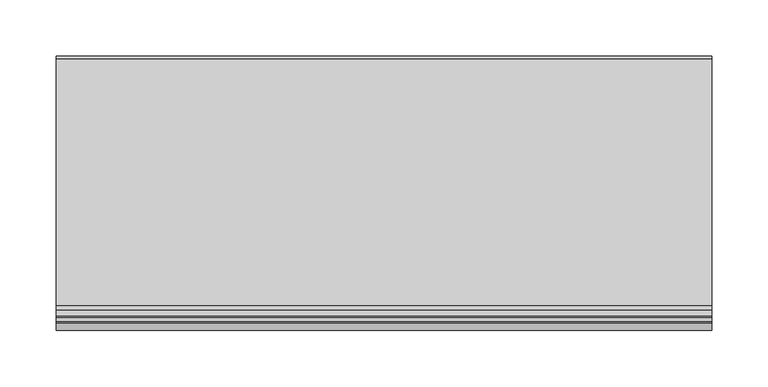
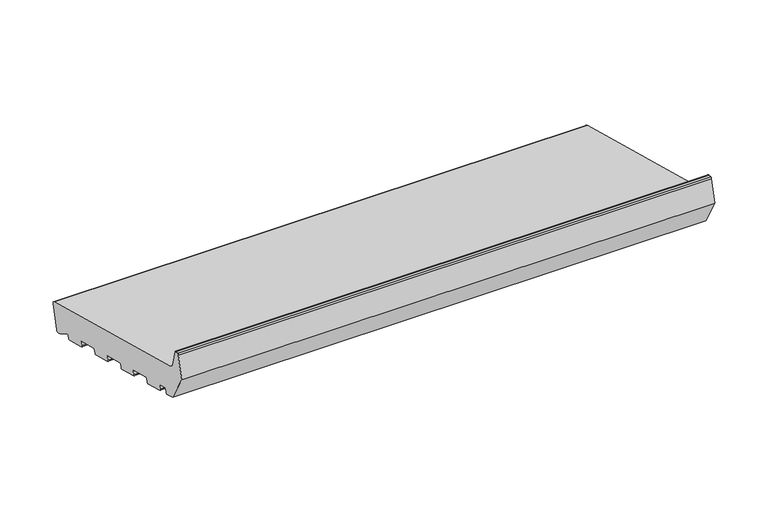
"""IFC4 building model written with IfcOpenShell, lengths in millimetres: proxy geometry."""

from ifc_helpers import new_model, si_unit, point, frame, frame_2d, origin, place, context, project, spatial, polyline, circle_curve, trimmed, segment, composite_curve, outline, extrude, source, transform, mapped, element, save


def generic_models_a7e56058(model_context):
    return source(origin(), model_context, "Body", "SweptSolid", [
        extrude(outline(composite_curve([segment(polyline([(24.372022, 5.5048126), (21.6552444, 6.2327709), (7.4870147, 14.8202172)]), True, "CONTINUOUS"), segment(trimmed(circle_curve(frame_2d((6.9686847, 13.9650365)), 1.0), [point((7.4870147, 14.8202172))], [point((6.0027589, 14.2238555))], True, "CARTESIAN"), True, "CONTINUOUS"), segment(polyline([(6.0027589, 14.2238555), (5.0535055, 10.6811935)]), True, "CONTINUOUS"), segment(trimmed(circle_curve(frame_2d((4.0875797, 10.9400125)), 1.0), [point((5.0535055, 10.6811935))], [point((3.8287606, 9.9740867))], False, "CARTESIAN"), True, "CONTINUOUS"), segment(polyline([(3.8287606, 9.9740867), (-18.3875334, 15.9269247)]), True, "CONTINUOUS"), segment(trimmed(circle_curve(frame_2d((-18.1287143, 16.8928505)), 1.0), [point((-18.3875334, 15.9269247))], [point((-19.0946402, 17.1516696))], False, "CARTESIAN"), True, "CONTINUOUS"), segment(polyline([(-19.0946402, 17.1516696), (-18.059364, 21.0153729)]), True, "CONTINUOUS"), segment(trimmed(circle_curve(frame_2d((-19.0252898, 21.2741919)), 1.0), [point((-18.059364, 21.0153729))], [point((-18.7664708, 22.2401178))], True, "CARTESIAN"), True, "CONTINUOUS"), segment(polyline([(-18.7664708, 22.2401178), (-41.9486906, 28.4517749)]), True, "CONTINUOUS"), segment(trimmed(circle_curve(frame_2d((-42.2075096, 27.485849)), 1.0), [point((-41.9486906, 28.4517749))], [point((-43.1734355, 27.7446681))], True, "CARTESIAN"), True, "CONTINUOUS"), segment(polyline([(-43.1734355, 27.7446681), (-44.2087117, 23.8809648)]), True, "CONTINUOUS"), segment(trimmed(circle_curve(frame_2d((-45.1746375, 24.1397838)), 1.0), [point((-44.2087117, 23.8809648))], [point((-45.4334565, 23.173858))], False, "CARTESIAN"), True, "CONTINUOUS"), segment(polyline([(-45.4334565, 23.173858), (-67.6497505, 29.126696)]), True, "CONTINUOUS"), segment(trimmed(circle_curve(frame_2d((-67.3909315, 30.0926218)), 1.0), [point((-67.6497505, 29.126696))], [point((-68.3568573, 30.3514409))], False, "CARTESIAN"), True, "CONTINUOUS"), segment(polyline([(-68.3568573, 30.3514409), (-67.3215811, 34.2151442)]), True, "CONTINUOUS"), segment(trimmed(circle_curve(frame_2d((-68.287507, 34.4739632)), 1.0), [point((-67.3215811, 34.2151442))], [point((-68.0286879, 35.4398891))], True, "CARTESIAN"), True, "CONTINUOUS"), segment(polyline([(-68.0286879, 35.4398891), (-91.2109077, 41.6515462)]), True, "CONTINUOUS"), segment(trimmed(circle_curve(frame_2d((-91.4697268, 40.6856203)), 1.0), [point((-91.2109077, 41.6515462))], [point((-92.4356526, 40.9444394))], True, "CARTESIAN"), True, "CONTINUOUS"), segment(polyline([(-92.4356526, 40.9444394), (-93.4709288, 37.0807361)]), True, "CONTINUOUS"), segment(trimmed(circle_curve(frame_2d((-94.4368546, 37.3395551)), 1.0), [point((-93.4709288, 37.0807361))], [point((-94.6956737, 36.3736293))], False, "CARTESIAN"), True, "CONTINUOUS"), segment(polyline([(-94.6956737, 36.3736293), (-116.9119677, 42.3264673)]), True, "CONTINUOUS"), segment(trimmed(circle_curve(frame_2d((-116.6531486, 43.2923931)), 1.0), [point((-116.9119677, 42.3264673))], [point((-117.6190745, 43.5512122))], False, "CARTESIAN"), True, "CONTINUOUS"), segment(polyline([(-117.6190745, 43.5512122), (-116.5837983, 47.4149155)]), True, "CONTINUOUS"), segment(trimmed(circle_curve(frame_2d((-117.5497241, 47.6737345)), 1.0), [point((-116.5837983, 47.4149155))], [point((-117.2909051, 48.6396604))], True, "CARTESIAN"), True, "CONTINUOUS"), segment(polyline([(-117.2909051, 48.6396604), (-140.4731249, 54.8513175)]), True, "CONTINUOUS"), segment(trimmed(circle_curve(frame_2d((-140.7319439, 53.8853916)), 1.0), [point((-140.4731249, 54.8513175))], [point((-141.6978698, 54.1442107))], True, "CARTESIAN"), True, "CONTINUOUS"), segment(polyline([(-141.6978698, 54.1442107), (-142.7331459, 50.2805074)]), True, "CONTINUOUS"), segment(trimmed(circle_curve(frame_2d((-143.6990718, 50.5393264)), 1.0), [point((-142.7331459, 50.2805074))], [point((-143.9578908, 49.5734006))], False, "CARTESIAN"), True, "CONTINUOUS"), segment(polyline([(-143.9578908, 49.5734006), (-166.1741848, 55.5262386)]), True, "CONTINUOUS"), segment(trimmed(circle_curve(frame_2d((-165.9153658, 56.4921644)), 1.0), [point((-166.1741848, 55.5262386))], [point((-166.8812916, 56.7509835))], False, "CARTESIAN"), True, "CONTINUOUS"), segment(polyline([(-166.8812916, 56.7509835), (-165.8460154, 60.6146868)]), True, "CONTINUOUS"), segment(trimmed(circle_curve(frame_2d((-166.8119412, 60.8735058)), 1.0), [point((-165.8460154, 60.6146868))], [point((-166.5531222, 61.8394317))], True, "CARTESIAN"), True, "CONTINUOUS"), segment(polyline([(-166.5531222, 61.8394317), (-176.2123805, 64.4276221)]), True, "CONTINUOUS"), segment(trimmed(circle_curve(frame_2d((-176.4711995, 63.4616963)), 1.0), [point((-176.2123805, 64.4276221))], [point((-177.4371253, 63.7205153))], True, "CARTESIAN"), True, "CONTINUOUS"), segment(polyline([(-177.4371253, 63.7205153), (-178.4724015, 59.856812)]), True, "CONTINUOUS"), segment(trimmed(circle_curve(frame_2d((-179.4383273, 60.1156311)), 1.0), [point((-178.4724015, 59.856812))], [point((-179.6971464, 59.1497053))], False, "CARTESIAN"), True, "CONTINUOUS"), segment(polyline([(-179.6971464, 59.1497053), (-190.3223305, 61.9967148), (-208.0, 92.6153365), (-201.4291321, 117.1381494)]), True, "CONTINUOUS"), segment(trimmed(circle_curve(frame_2d((-199.9802434, 116.7499208)), 1.5), [point((-201.4291321, 117.1381494))], [point((-199.9802434, 118.2499208))], False, "CARTESIAN"), True, "CONTINUOUS"), segment(polyline([(-199.9802434, 118.2499208), (-196.6368689, 118.2499208)]), True, "CONTINUOUS"), segment(trimmed(circle_curve(frame_2d((-196.6368689, 116.7499208)), 1.5), [point((-196.6368689, 118.2499208))], [point((-195.1879801, 117.1381494))], False, "CARTESIAN"), True, "CONTINUOUS"), segment(polyline([(-195.1879801, 117.1381494), (-190.4052841, 99.2888846)]), True, "CONTINUOUS"), segment(trimmed(circle_curve(frame_2d((-184.6097291, 100.8417989)), 6.0), [point((-190.4052841, 99.2888846))], [point((-186.1626434, 95.0462439))], True, "CARTESIAN"), True, "CONTINUOUS"), segment(polyline([(-186.1626434, 95.0462439), (32.6542315, 36.414439)]), True, "CONTINUOUS"), segment(trimmed(circle_curve(frame_2d((31.8777743, 33.5166615)), 3.0), [point((32.6542315, 36.414439))], [point((34.7755518, 32.7402044))], False, "CARTESIAN"), True, "CONTINUOUS"), segment(polyline([(34.7755518, 32.7402044), (28.0462566, 7.6261329)]), True, "CONTINUOUS"), segment(trimmed(circle_curve(frame_2d((25.1484791, 8.40259)), 3.0), [point((28.0462566, 7.6261329))], [point((24.372022, 5.5048126))], False, "CARTESIAN"), True, "CONTINUOUS")], self_intersect=False)), frame((0.0, 0.0, 0.0), z_axis=(1.0, 0.0, 0.0), x_axis=(0.0, 1.0, 0.0)), (0.0, 0.0, 1.0), 580.0),
    ])


if __name__ == "__main__":
    model = new_model("IFC4")
    model_context = context("Model", 3, world=origin())
    ifc_project = project(units=[si_unit("LENGTHUNIT", "METRE", prefix="MILLI")], contexts=[model_context])
    site = spatial("IfcSite", under=ifc_project)
    building = spatial("IfcBuilding", under=site)
    placement = place(None, origin())
    generic_models_shape = generic_models_a7e56058(model_context)
    element("IfcBuildingElementProxy", 1, Name="Generic Models", at=placement, inside=building, context=model_context, shape_type="MappedRepresentation", body=[
        mapped(generic_models_shape, transform((0.0, 0.0, 0.0), x_axis=(1.0, 0.0, 0.0), y_axis=(0.0, 1.0, 0.0), z_axis=(0.0, 0.0, 1.0))),
    ])
    save(model, "model.ifc")
